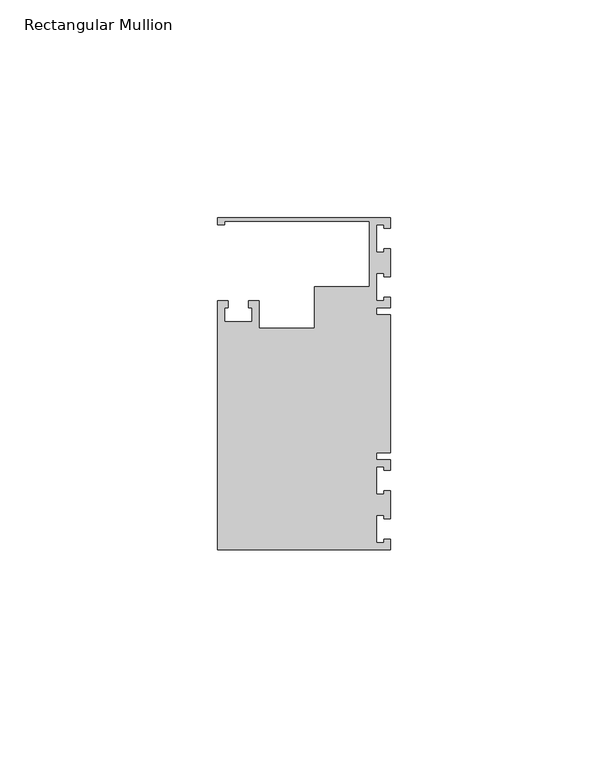
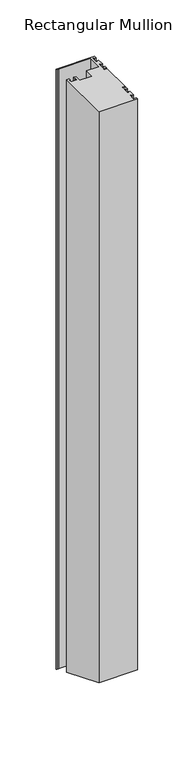
"""IFC4 building model written with IfcOpenShell, lengths in millimetres: member geometry, Rectangular Mullion."""

from ifc_helpers import new_model, si_unit, origin, place, context, project, spatial, faceted_brep, source, transform, mapped, element, save


def rectangular_mullion_f87b9693(model_context):
    return source(origin(), model_context, "Body", "Brep", [
        faceted_brep([(0.0, 38.1, 0.0), (-39.6875, 38.1, 0.0), (-39.6875, 36.5125, 0.0), (-38.1, 36.5125, 0.0), (-38.1, 37.30625, 0.0), (-4.8585733, 37.30625, 0.0), (-4.8585733, 22.225, 0.0), (-17.4625, 22.225, 0.0), (-17.4625, 12.6999969, 0.0), (-30.1625, 12.6999969, 0.0), (-30.1625, 19.05, 0.0), (-32.54375, 19.05, 0.0), (-32.54375, 17.4625, 0.0), (-31.75, 17.4625, 0.0), (-31.75, 14.2875, 0.0), (-38.1, 14.2875, 0.0), (-38.1, 17.4625, 0.0), (-37.30625, 17.4625, 0.0), (-37.30625, 19.05, 0.0), (-39.6875, 19.05, 0.0), (-39.6875, -38.1, 0.0), (0.0, -38.1, 0.0), (0.0, -35.71875, 0.0), (-1.4999946, -35.71875, 0.0), (-1.4999946, -36.5125, 0.0), (-3.175, -36.5125, 0.0), (-3.175, -30.1625, 0.0), (-1.4999946, -30.1625, 0.0), (-1.4999946, -30.95625, 0.0), (0.0, -30.95625, 0.0), (0.0, -24.60625, 0.0), (-1.4999946, -24.60625, 0.0), (-1.4999946, -25.4, 0.0), (-3.175, -25.4, 0.0), (-3.175, -19.05, 0.0), (-1.4999946, -19.05, 0.0), (-1.4999946, -19.84375, 0.0), (0.0, -19.84375, 0.0), (0.0, -17.4625, 0.0), (-3.175, -17.4625, 0.0), (-3.175, -15.875, 0.0), (0.0, -15.875, 0.0), (0.0, 15.875, 0.0), (-3.175, 15.875, 0.0), (-3.175, 17.4625, 0.0), (0.0, 17.4625, 0.0), (0.0, 19.84375, 0.0), (-1.4999946, 19.84375, 0.0), (-1.4999946, 19.05, 0.0), (-3.175, 19.05, 0.0), (-3.175, 25.4, 0.0), (-1.4999946, 25.4, 0.0), (-1.4999946, 24.60625, 0.0), (0.0, 24.60625, 0.0), (0.0, 30.95625, 0.0), (-1.4999946, 30.95625, 0.0), (-1.4999946, 30.1625, 0.0), (-3.175, 30.1625, 0.0), (-3.175, 36.5125, 0.0), (-1.4999946, 36.5125, 0.0), (-1.4999946, 35.71875, 0.0), (0.0, 35.71875, 0.0), (0.0, 38.1, -650.7815367), (-39.6875, 38.1, -650.7815367), (-39.6875, 36.5125, -650.1239727), (-38.1, 36.5125, -650.1239727), (-38.1, 37.30625, -650.4527547), (-4.8585733, 37.30625, -650.4527547), (-4.8585733, 22.225, -644.2058964), (-17.4625, 22.225, -644.2058964), (-17.4625, 12.6999969, -640.260511), (-30.1625, 12.6999969, -640.260511), (-30.1625, 19.05, -642.8907684), (-32.54375, 19.05, -642.8907684), (-32.54375, 17.4625, -642.2332043), (-31.75, 17.4625, -642.2332043), (-31.75, 14.2875, -640.9180763), (-38.1, 14.2875, -640.9180763), (-38.1, 17.4625, -642.2332043), (-37.30625, 17.4625, -642.2332043), (-37.30625, 19.05, -642.8907684), (-39.6875, 19.05, -642.8907684), (-39.6875, -38.1, -619.2184633), (0.0, -38.1, -619.2184633), (0.0, -35.71875, -620.2048093), (-1.4999946, -35.71875, -620.2048093), (-1.4999946, -36.5125, -619.8760273), (-3.175, -36.5125, -619.8760273), (-3.175, -30.1625, -622.5062834), (-1.4999946, -30.1625, -622.5062834), (-1.4999946, -30.95625, -622.1775014), (0.0, -30.95625, -622.1775014), (0.0, -24.60625, -624.8077575), (-1.4999946, -24.60625, -624.8077575), (-1.4999946, -25.4, -624.4789755), (-3.175, -25.4, -624.4789755), (-3.175, -19.05, -627.1092316), (-1.4999946, -19.05, -627.1092316), (-1.4999946, -19.84375, -626.7804496), (0.0, -19.84375, -626.7804496), (0.0, -17.4625, -627.7667957), (-3.175, -17.4625, -627.7667957), (-3.175, -15.875, -628.4243597), (0.0, -15.875, -628.4243597), (0.0, 15.875, -641.5756403), (-3.175, 15.875, -641.5756403), (-3.175, 17.4625, -642.2332043), (0.0, 17.4625, -642.2332043), (0.0, 19.84375, -643.2195504), (-1.4999946, 19.84375, -643.2195504), (-1.4999946, 19.05, -642.8907684), (-3.175, 19.05, -642.8907684), (-3.175, 25.4, -645.5210245), (-1.4999946, 25.4, -645.5210245), (-1.4999946, 24.60625, -645.1922425), (0.0, 24.60625, -645.1922425), (0.0, 30.95625, -647.8224986), (-1.4999946, 30.95625, -647.8224986), (-1.4999946, 30.1625, -647.4937166), (-3.175, 30.1625, -647.4937166), (-3.175, 36.5125, -650.1239727), (-1.4999946, 36.5125, -650.1239727), (-1.4999946, 35.71875, -649.7951907), (0.0, 35.71875, -649.7951907)], [[[0, 1, 2, 3, 4, 5, 6, 7, 8, 9, 10, 11, 12, 13, 14, 15, 16, 17, 18, 19, 20, 21, 22, 23, 24, 25, 26, 27, 28, 29, 30, 31, 32, 33, 34, 35, 36, 37, 38, 39, 40, 41, 42, 43, 44, 45, 46, 47, 48, 49, 50, 51, 52, 53, 54, 55, 56, 57, 58, 59, 60, 61]], [[1, 0, 62, 63]], [[2, 1, 63, 64]], [[3, 2, 64, 65]], [[4, 3, 65, 66]], [[5, 4, 66, 67]], [[6, 5, 67, 68]], [[7, 6, 68, 69]], [[8, 7, 69, 70]], [[9, 8, 70, 71]], [[10, 9, 71, 72]], [[11, 10, 72, 73]], [[12, 11, 73, 74]], [[13, 12, 74, 75]], [[14, 13, 75, 76]], [[15, 14, 76, 77]], [[16, 15, 77, 78]], [[17, 16, 78, 79]], [[18, 17, 79, 80]], [[19, 18, 80, 81]], [[20, 19, 81, 82]], [[21, 20, 82, 83]], [[22, 21, 83, 84]], [[23, 22, 84, 85]], [[24, 23, 85, 86]], [[25, 24, 86, 87]], [[26, 25, 87, 88]], [[27, 26, 88, 89]], [[28, 27, 89, 90]], [[29, 28, 90, 91]], [[30, 29, 91, 92]], [[31, 30, 92, 93]], [[32, 31, 93, 94]], [[33, 32, 94, 95]], [[34, 33, 95, 96]], [[35, 34, 96, 97]], [[36, 35, 97, 98]], [[37, 36, 98, 99]], [[38, 37, 99, 100]], [[39, 38, 100, 101]], [[40, 39, 101, 102]], [[41, 40, 102, 103]], [[42, 41, 103, 104]], [[43, 42, 104, 105]], [[44, 43, 105, 106]], [[45, 44, 106, 107]], [[46, 45, 107, 108]], [[47, 46, 108, 109]], [[48, 47, 109, 110]], [[49, 48, 110, 111]], [[50, 49, 111, 112]], [[51, 50, 112, 113]], [[52, 51, 113, 114]], [[53, 52, 114, 115]], [[54, 53, 115, 116]], [[55, 54, 116, 117]], [[56, 55, 117, 118]], [[57, 56, 118, 119]], [[58, 57, 119, 120]], [[59, 58, 120, 121]], [[60, 59, 121, 122]], [[61, 60, 122, 123]], [[0, 61, 123, 62]], [[62, 123, 122, 121, 120, 119, 118, 117, 116, 115, 114, 113, 112, 111, 110, 109, 108, 107, 106, 105, 104, 103, 102, 101, 100, 99, 98, 97, 96, 95, 94, 93, 92, 91, 90, 89, 88, 87, 86, 85, 84, 83, 82, 81, 80, 79, 78, 77, 76, 75, 74, 73, 72, 71, 70, 69, 68, 67, 66, 65, 64, 63]]]),
    ])


if __name__ == "__main__":
    model = new_model("IFC4")
    model_context = context("Model", 3, world=origin())
    ifc_project = project(units=[si_unit("LENGTHUNIT", "METRE", prefix="MILLI")], contexts=[model_context])
    site = spatial("IfcSite", under=ifc_project)
    building = spatial("IfcBuilding", under=site)
    placement = place(None, origin())
    rectangular_mullion_shape = rectangular_mullion_f87b9693(model_context)
    element("IfcMember", 1, ObjectType="Rectangular Mullion", at=placement, inside=building, context=model_context, shape_type="MappedRepresentation", body=[
        mapped(rectangular_mullion_shape, transform((0.0, 0.0, 0.0), x_axis=(1.0, 0.0, 0.0), y_axis=(0.0, 1.0, 0.0), z_axis=(0.0, 0.0, 1.0))),
    ])
    save(model, "model.ifc")
